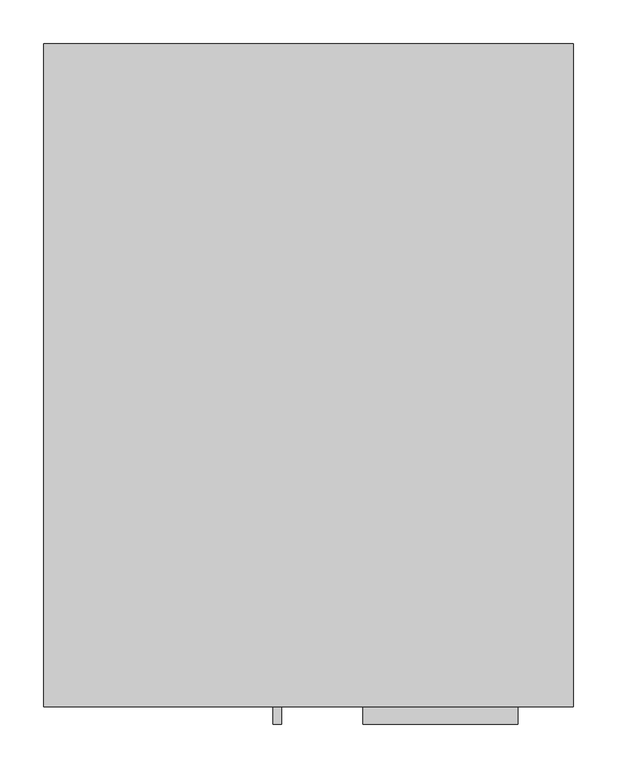
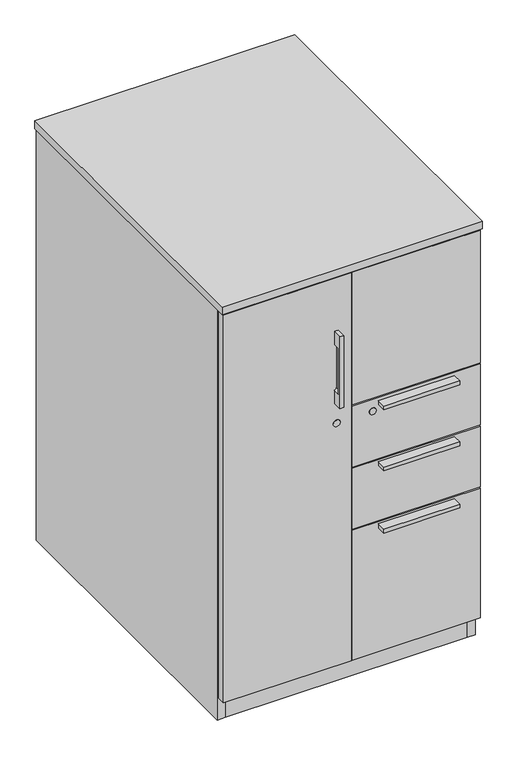
"""IFC4 building model written with IfcOpenShell, lengths in millimetres: furniture geometry."""

from ifc_helpers import new_model, si_unit, point, frame, frame_2d, origin, origin_with_axes, place, context, project, spatial, polyline, circle_curve, trimmed, segment, composite_curve, outline, extrude, source, transform, mapped, element, save
from ifc_brep_helpers import plane_surface, revolved_surface, advanced_brep


def furniture_2db2e0c5(model_context):
    return source(origin(), model_context, "Body", "SolidModel", [
        extrude(outline(polyline([(-281.0603578, -267.0175), (-265.1125, -257.81), (-249.1646422, -267.0175), (-249.1646422, -285.4325), (-265.1125, -294.64), (-281.0603578, -285.4325), (-281.0603578, -267.0175)])), origin_with_axes(), (0.0, 0.0, 1.0), 9.144),
        extrude(outline(polyline([(249.1646422, -267.0175), (265.1125, -257.81), (281.0603578, -267.0175), (281.0603578, -285.4325), (265.1125, -294.64), (249.1646422, -285.4325), (249.1646422, -267.0175)])), origin_with_axes(), (0.0, 0.0, 1.0), 9.144),
        extrude(outline(polyline([(249.1646422, 406.0904375), (265.1125, 415.2979375), (281.0603578, 406.0904375), (281.0603578, 387.6754375), (265.1125, 378.4679375), (249.1646422, 387.6754375), (249.1646422, 406.0904375)])), origin_with_axes(), (0.0, 0.0, 1.0), 9.144),
        extrude(outline(polyline([(-281.0603578, 406.0904375), (-265.1125, 415.2979375), (-249.1646422, 406.0904375), (-249.1646422, 387.6754375), (-265.1125, 378.4679375), (-281.0603578, 387.6754375), (-281.0603578, 406.0904375)])), origin_with_axes(), (0.0, 0.0, 1.0), 9.144),
        advanced_brep(
        [(-40.64, -345.8130625, 890.8542), (-40.64, -345.8130625, 713.0542), (-31.115, -345.8130625, 713.0542), (-31.115, -345.8130625, 890.8542), (-40.64, -323.5880625, 890.8542), (-31.115, -323.5880625, 890.8542), (-31.115, -323.5880625, 713.0542), (-40.64, -323.5880625, 713.0542), (-40.64, -323.5880625, 745.0058389), (-35.8775, -323.5880625, 751.1542), (-35.8775, -323.5880625, 852.7542), (-40.64, -323.5880625, 858.9025611), (-40.64, -339.5250593, 858.9025611), (-40.64, -339.5250593, 745.0058389), (-35.8775, -339.5250593, 852.7542), (-35.8775, -339.5250593, 751.1542)],
        [
            (0, 1),
            (1, 2),
            (2, 3),
            (3, 0),
            (4, 5),
            (5, 6),
            (6, 7),
            (7, 8),
            (8, 9, circle_curve(frame((-42.2275, -323.5880625, 751.1542), z_axis=(0.0, -1.0, 0.0), x_axis=(1.0, 0.0, 0.0)), 6.35)),
            (9, 10),
            (10, 11, circle_curve(frame((-42.2275, -323.5880625, 852.7542), z_axis=(0.0, -1.0, 0.0), x_axis=(1.0, 0.0, 0.0)), 6.35)),
            (11, 4),
            (0, 4),
            (11, 12),
            (12, 13),
            (13, 8),
            (7, 1),
            (6, 2),
            (5, 3),
            (14, 15),
            (15, 13, circle_curve(frame((-42.2275, -339.5250593, 751.1542), z_axis=(0.0, 1.0, 0.0), x_axis=(1.0, 0.0, 0.0)), 6.35)),
            (12, 14, circle_curve(frame((-42.2275, -339.5250593, 852.7542), z_axis=(0.0, 1.0, 0.0), x_axis=(1.0, 0.0, 0.0)), 6.35)),
            (14, 10),
            (9, 15),
        ],
        [
            plane_surface(frame((-40.64, -345.8130625, 713.0542), z_axis=(0.0, -1.0, 0.0), x_axis=(0.0, 0.0, -1.0))),
            plane_surface(frame((-40.64, -323.5880625, 713.0542), z_axis=(0.0, 1.0, 0.0), x_axis=(0.0, 0.0, 1.0))),
            plane_surface(frame((-40.64, -345.8130625, 890.8542), z_axis=(-1.0, 0.0, 0.0), x_axis=(0.0, 1.0, 0.0))),
            plane_surface(frame((-40.64, -345.8130625, 713.0542), z_axis=(0.0, 0.0, -1.0), x_axis=(0.0, 1.0, 0.0))),
            plane_surface(frame((-31.115, -345.8130625, 713.0542), z_axis=(1.0, 0.0, 0.0), x_axis=(0.0, 1.0, 0.0))),
            plane_surface(frame((-31.115, -345.8130625, 890.8542), z_axis=(0.0, 0.0, 1.0), x_axis=(0.0, 1.0, 0.0))),
            plane_surface(frame((-54.9275, -339.5250593, 859.1042), z_axis=(0.0, 1.0, 0.0), x_axis=(-1.0, 0.0, 0.0))),
            plane_surface(frame((-35.8775, -339.5250593, 751.1542), z_axis=(-1.0, 0.0, 0.0), x_axis=(0.0, 1.0, 0.0))),
            revolved_surface(polyline([(-35.8775, -339.5250593, 751.1542), (-35.8775, -323.5880625, 751.1542)]), (-42.2275, -323.5880625, 751.1542), (0.0, -1.0, 0.0)),
            revolved_surface(polyline([(-35.8775, -339.5250593, 852.7542), (-35.8775, -323.5880625, 852.7542)]), (-42.2275, -323.5880625, 852.7542), (0.0, -1.0, 0.0)),
        ],
        [
            (0, [[1, 2, 3, 4]]),
            (1, [[5, 6, 7, 8, 9, 10, 11, 12]]),
            (2, [[-1, 13, -12, 14, 15, 16, -8, 17]]),
            (3, [[-2, -17, -7, 18]]),
            (4, [[-3, -18, -6, 19]]),
            (5, [[-4, -19, -5, -13]]),
            (6, [[20, 21, -15, 22]]),
            (7, [[-20, 23, -10, 24]]),
            (8, [[-24, -9, -16, -21]]),
            (9, [[-23, -22, -14, -11]]),
        ],
    ),
        extrude(outline(polyline([(240.50625, -345.8130625), (62.70625, -345.8130625), (62.70625, -323.5880625), (240.50625, -323.5880625), (240.50625, -345.8130625)])), frame((0.0, 0.0, 367.8682), z_axis=(0.0, 0.0, 1.0), x_axis=(1.0, 0.0, 0.0)), (0.0, 0.0, 1.0), 9.525),
        extrude(outline(polyline([(240.50625, -345.8130625), (62.70625, -345.8130625), (62.70625, -323.5880625), (240.50625, -323.5880625), (240.50625, -345.8130625)])), frame((0.0, 0.0, 522.0716), z_axis=(0.0, 0.0, 1.0), x_axis=(1.0, 0.0, 0.0)), (0.0, 0.0, 1.0), 9.525),
        extrude(outline(polyline([(240.50625, -345.8130625), (62.70625, -345.8130625), (62.70625, -323.5880625), (240.50625, -323.5880625), (240.50625, -345.8130625)])), frame((0.0, 0.0, 673.4302), z_axis=(0.0, 0.0, 1.0), x_axis=(1.0, 0.0, 0.0)), (0.0, 0.0, 1.0), 9.525),
        extrude(outline(polyline([(303.2125, 409.5829375), (303.2125, -301.3630625), (-283.9085, -301.3630625), (-283.9085, 409.5829375), (303.2125, 409.5829375)])), frame((0.0, 0.0, 1006.5258), z_axis=(0.0, 0.0, 1.0), x_axis=(1.0, 0.0, 0.0)), (0.0, 0.0, 1.0), 19.304),
        extrude(outline(polyline([(303.2125, -301.3630625), (0.0, -301.3630625), (0.0, 409.5829375), (303.2125, 409.5829375), (303.2125, -301.3630625)])), frame((0.0, 0.0, 693.674), z_axis=(0.0, 0.0, 1.0), x_axis=(1.0, 0.0, 0.0)), (0.0, 0.0, 1.0), 19.05),
        extrude(outline(polyline([(19.05, -301.3630625), (0.0, -301.3630625), (0.0, 409.5829375), (19.05, 409.5829375), (19.05, -301.3630625)])), frame((0.0, 0.0, 79.3242), z_axis=(0.0, 0.0, 1.0), x_axis=(1.0, 0.0, 0.0)), (0.0, 0.0, 1.0), 943.3306),
        extrude(outline(polyline([(303.2125, -301.3630625), (283.9085, -301.3630625), (283.9085, 409.5829375), (303.2125, 409.5829375), (303.2125, -301.3630625)])), frame((0.0, 0.0, 4.699), z_axis=(0.0, 0.0, 1.0), x_axis=(1.0, 0.0, 0.0)), (0.0, 0.0, 1.0), 688.975),
        extrude(outline(polyline([(283.9085, 409.5829375), (283.9085, -301.3630625), (-283.9085, -301.3630625), (-283.9085, 409.5829375), (283.9085, 409.5829375)])), frame((0.0, 0.0, 60.2742), z_axis=(0.0, 0.0, 1.0), x_axis=(1.0, 0.0, 0.0)), (0.0, 0.0, 1.0), 19.05),
        extrude(outline(polyline([(301.625, -323.5880625), (1.5875, -323.5880625), (1.5875, -304.5380625), (301.625, -304.5380625), (301.625, -323.5880625)])), frame((0.0, 0.0, 693.674), z_axis=(0.0, 0.0, 1.0), x_axis=(1.0, 0.0, 0.0)), (0.0, 0.0, 1.0), 328.9808),
        extrude(outline(polyline([(301.625, -323.5880625), (1.5875, -323.5880625), (1.5875, -304.5380625), (301.625, -304.5380625), (301.625, -323.5880625)])), frame((0.0, 0.0, 539.4706), z_axis=(0.0, 0.0, 1.0), x_axis=(1.0, 0.0, 0.0)), (0.0, 0.0, 1.0), 151.0284),
        extrude(outline(polyline([(301.625, -323.5880625), (1.5875, -323.5880625), (1.5875, -304.5380625), (301.625, -304.5380625), (301.625, -323.5880625)])), frame((0.0, 0.0, 385.2672), z_axis=(0.0, 0.0, 1.0), x_axis=(1.0, 0.0, 0.0)), (0.0, 0.0, 1.0), 151.0284),
        extrude(outline(polyline([(301.625, -323.5880625), (1.5875, -323.5880625), (1.5875, -304.5380625), (301.625, -304.5380625), (301.625, -323.5880625)])), frame((0.0, 0.0, 60.26658), z_axis=(0.0, 0.0, 1.0), x_axis=(1.0, 0.0, 0.0)), (0.0, 0.0, 1.0), 321.82562),
        extrude(outline(polyline([(-1.5875, -323.5880625), (-301.625, -323.5880625), (-301.625, -304.5380625), (-1.5875, -304.5380625), (-1.5875, -323.5880625)])), frame((0.0, 0.0, 60.26658), z_axis=(0.0, 0.0, 1.0), x_axis=(1.0, 0.0, 0.0)), (0.0, 0.0, 1.0), 962.38822),
        extrude(outline(polyline([(-283.9085, -301.3630625), (-303.2125, -301.3630625), (-303.2125, 434.2209375), (-283.9085, 434.2209375), (-283.9085, -301.3630625)])), frame((0.0, 0.0, 4.699), z_axis=(0.0, 0.0, 1.0), x_axis=(1.0, 0.0, 0.0)), (0.0, 0.0, 1.0), 1021.1308),
        extrude(outline(polyline([(283.9085, -301.3630625), (-283.9085, -301.3630625), (-283.9085, 409.5829375), (283.9085, 409.5829375), (283.9085, -301.3630625)])), frame((0.0, 0.0, 4.699), z_axis=(0.0, 0.0, 1.0), x_axis=(1.0, 0.0, 0.0)), (0.0, 0.0, 1.0), 55.5752),
        extrude(outline(polyline([(303.2125, 434.2209375), (303.2125, 409.5829375), (-283.9085, 409.5829375), (-283.9085, 434.2209375), (303.2125, 434.2209375)])), frame((0.0, 0.0, 4.699), z_axis=(0.0, 0.0, 1.0), x_axis=(1.0, 0.0, 0.0)), (0.0, 0.0, 1.0), 1021.1308),
        extrude(outline(polyline([(304.8, 436.5704375), (304.8, -325.4295625), (-304.8, -325.4295625), (-304.8, 436.5704375), (304.8, 436.5704375)])), frame((0.0, 0.0, 1025.8298), z_axis=(0.0, 0.0, 1.0), x_axis=(1.0, 0.0, 0.0)), (0.0, 0.0, 1.0), 19.05),
        extrude(outline(composite_curve([segment(trimmed(circle_curve(frame_2d((662.2542, 48.7172)), 8.001), [point((662.2542, 40.7162))], [point((662.2542, 56.7182))], False, "CARTESIAN"), True, "CONTINUOUS"), segment(trimmed(circle_curve(frame_2d((662.2542, 48.7172)), 8.001), [point((662.2542, 56.7182))], [point((662.2542, 40.7162))], False, "CARTESIAN"), True, "CONTINUOUS")], self_intersect=False)), frame((0.0, -325.1755625, 0.0), z_axis=(0.0, 1.0, 0.0), x_axis=(0.0, 0.0, 1.0)), (0.0, 0.0, 1.0), 1.5875),
        extrude(outline(composite_curve([segment(trimmed(circle_curve(frame_2d((662.2542, -35.8775)), 8.001), [point((662.2542, -43.8785))], [point((662.2542, -27.8765))], False, "CARTESIAN"), True, "CONTINUOUS"), segment(trimmed(circle_curve(frame_2d((662.2542, -35.8775)), 8.001), [point((662.2542, -27.8765))], [point((662.2542, -43.8785))], False, "CARTESIAN"), True, "CONTINUOUS")], self_intersect=False)), frame((0.0, -325.1755625, 0.0), z_axis=(0.0, 1.0, 0.0), x_axis=(0.0, 0.0, 1.0)), (0.0, 0.0, 1.0), 1.5875),
    ])


if __name__ == "__main__":
    model = new_model("IFC4")
    model_context = context("Model", 3, world=origin())
    ifc_project = project(units=[si_unit("LENGTHUNIT", "METRE", prefix="MILLI")], contexts=[model_context])
    site = spatial("IfcSite", under=ifc_project)
    building = spatial("IfcBuilding", under=site)
    placement = place(None, origin())
    furniture_shape = furniture_2db2e0c5(model_context)
    element("IfcFurniture", 1, at=placement, inside=building, context=model_context, shape_type="MappedRepresentation", body=[
        mapped(furniture_shape, transform((0.0, 0.0, 0.0), x_axis=(1.0, 0.0, 0.0), y_axis=(0.0, 1.0, 0.0), z_axis=(0.0, 0.0, 1.0))),
    ])
    save(model, "model.ifc")
